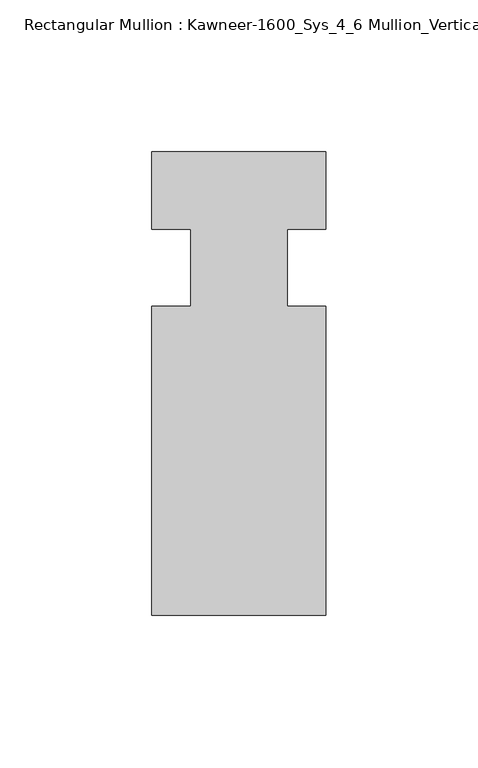
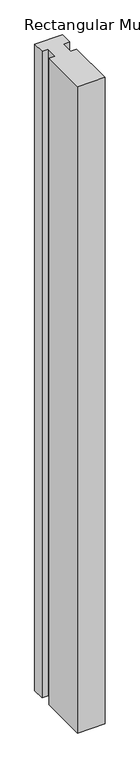
"""IFC4 building model written with IfcOpenShell, lengths in millimetres: member geometry, Rectangular Mullion : Kawneer-1600_Sys_4_6 Mullion_Vertical."""

from ifc_helpers import new_model, si_unit, frame, origin, place, context, project, spatial, polyline, outline, extrude, source, transform, mapped, element, save


def rectangular_mullion_kawneer_1600_sys_4_6_mullion_vertical_5b66be6c(model_context):
    return source(origin(), model_context, "Body", "SweptSolid", [
        extrude(outline(polyline([(32.9094027, -114.3), (-24.2405973, -114.3), (-24.2405973, -12.7), (-11.5405973, -12.7), (-11.5405973, 12.7), (-24.2405973, 12.7), (-24.2405973, 38.1), (32.9094027, 38.1), (32.9094027, 12.7), (20.2076322, 12.7), (20.2076322, -12.7), (32.9094027, -12.7), (32.9094027, -114.3)])), frame((0.0, 0.0, -1405.89), z_axis=(0.0, 0.0, 1.0), x_axis=(1.0, 0.0, 0.0)), (0.0, 0.0, 1.0), 1405.89),
    ])


if __name__ == "__main__":
    model = new_model("IFC4")
    model_context = context("Model", 3, world=origin())
    ifc_project = project(units=[si_unit("LENGTHUNIT", "METRE", prefix="MILLI")], contexts=[model_context])
    site = spatial("IfcSite", under=ifc_project)
    building = spatial("IfcBuilding", under=site)
    placement = place(None, origin())
    rectangular_mullion_kawneer_1600_sys_4_6_mullion_vertical_shape = rectangular_mullion_kawneer_1600_sys_4_6_mullion_vertical_5b66be6c(model_context)
    element("IfcMember", 1, ObjectType="Rectangular Mullion : Kawneer-1600_Sys_4_6 Mullion_Vertical", at=placement, inside=building, context=model_context, shape_type="MappedRepresentation", body=[
        mapped(rectangular_mullion_kawneer_1600_sys_4_6_mullion_vertical_shape, transform((0.0, 0.0, 0.0), x_axis=(1.0, 0.0, 0.0), y_axis=(0.0, 1.0, 0.0), z_axis=(0.0, 0.0, 1.0))),
    ])
    save(model, "model.ifc")
